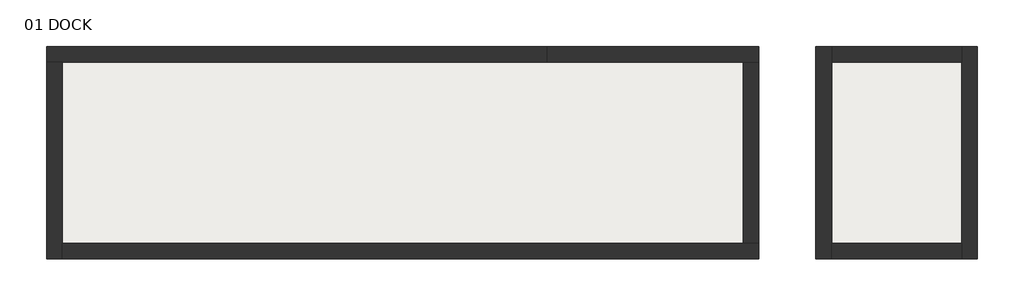
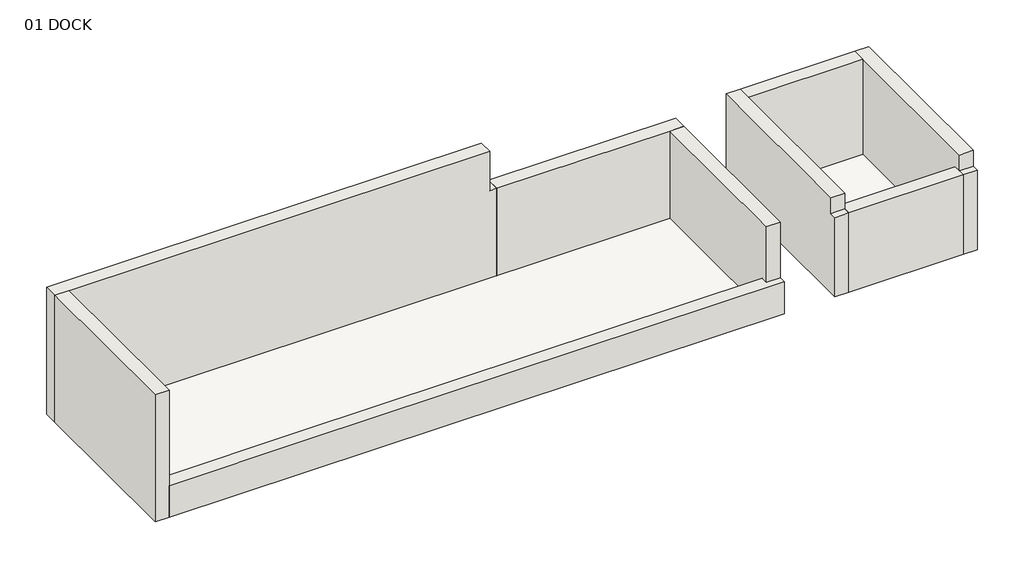
# One storey: 9 walls, 2 slabs.
"""IFC4 building model written with IfcOpenShell, lengths in millimetres."""

from ifc_helpers import new_model, si_unit, frame, origin, origin_with_axes, place, context, project, spatial, polyline, outline, extrude, faceted_brep, element, save

model = new_model("IFC4")

# Units and contexts
model_context = context("Model", 3, world=origin())
ifc_project = project(units=[si_unit("LENGTHUNIT", "METRE", prefix="MILLI")], contexts=[model_context])

# Site, building, storey
site = spatial("IfcSite", under=ifc_project)
building = spatial("IfcBuilding", under=site)
storey = spatial("IfcBuildingStorey", under=building, Name="01 DOCK", Elevation=0.0)

# Slabs
placement = place(None, origin())
element("IfcSlab", 1, ObjectType="Generic - 12\"", at=placement, inside=storey, context=model_context, shape_type="SweptSolid", body=[
    extrude(outline(polyline([(-11692.0416982, 5765.7810298), (10151.9583018, 5765.7810298), (10151.9583018, -50.8189702), (-11692.0416982, -50.8189702), (-11692.0416982, 5765.7810298)])), frame((0.0, 0.0, -304.8), z_axis=(0.0, 0.0, 1.0), x_axis=(1.0, 0.0, 0.0)), (0.0, 0.0, 1.0), 304.8),
])
element("IfcSlab", 2, ObjectType="Generic - 12\"", at=placement, inside=storey, context=model_context, shape_type="SweptSolid", body=[
    extrude(outline(polyline([(17162.3583018, 5765.7810298), (17162.3583018, -50.8189702), (12996.7583018, -50.8189702), (12996.7583018, 5765.7810298), (17162.3583018, 5765.7810298)])), frame((0.0, 0.0, -304.8), z_axis=(0.0, 0.0, 1.0), x_axis=(1.0, 0.0, 0.0)), (0.0, 0.0, 1.0), 304.8),
])

# Walls
element("IfcWall", 3, ObjectType="ADOBE", at=placement, inside=storey, context=model_context, shape_type="Brep", body=[
    faceted_brep([(10659.9583018, 6273.7810298, 0.0), (3852.7583018, 6273.7810298, 0.0), (3852.7583018, 6273.7810298, 3352.8), (10659.9583018, 6273.7810298, 3352.8), (10659.9583018, 5765.7810298, 0.0), (10659.9583018, 5765.7810298, 3352.8), (10151.9583018, 5765.7810298, 3352.8), (3852.7583018, 5765.7810298, 3352.8), (3852.7583018, 5765.7810298, 0.0), (10151.9583018, 5765.7810298, 0.0)], [[[0, 1, 2, 3]], [[4, 5, 6, 7, 8, 9]], [[1, 0, 4, 9, 8]], [[2, 1, 8, 7]], [[3, 2, 7, 6, 5]], [[0, 3, 5, 4]]]),
])
element("IfcWall", 4, ObjectType="ADOBE", at=placement, inside=storey, context=model_context, shape_type="Brep", body=[
    faceted_brep([(-12200.0416982, 5765.7810298, 0.0), (-12200.0416982, -558.8189702, 0.0), (-12200.0416982, -558.8189702, 4876.8), (-12200.0416982, 5765.7810298, 4876.8), (-11692.0416982, 5765.7810298, 0.0), (-11692.0416982, 5765.7810298, 4876.8), (-11692.0416982, -50.8189702, 4876.8), (-11692.0416982, -558.8189702, 4876.8), (-11692.0416982, -558.8189702, 1219.2), (-11692.0416982, -558.8189702, 0.0), (-11692.0416982, -50.8189702, 0.0)], [[[0, 1, 2, 3]], [[4, 5, 6, 7, 8, 9, 10]], [[1, 0, 4, 10, 9]], [[3, 2, 7, 6, 5]], [[1, 9, 8, 7, 2]], [[0, 3, 5, 4]]]),
])
element("IfcWall", 5, ObjectType="ADOBE", at=placement, inside=storey, context=model_context, shape_type="Brep", body=[
    faceted_brep([(-11692.0416982, -558.8189702, 0.0), (10659.9583018, -558.8189702, 0.0), (10659.9583018, -558.8189702, 1219.2), (-6688.2416982, -558.8189702, 1219.2), (-11692.0416982, -558.8189702, 1219.2), (-11692.0416982, -50.8189702, 0.0), (-11692.0416982, -50.8189702, 1219.2), (-6688.2416982, -50.8189702, 1219.2), (10151.9583018, -50.8189702, 1219.2), (10659.9583018, -50.8189702, 1219.2), (10659.9583018, -50.8189702, 0.0), (10151.9583018, -50.8189702, 0.0), (10659.9583018, -304.8189702, 1219.2)], [[[0, 1, 2, 3, 4]], [[5, 6, 7, 8, 9, 10, 11]], [[1, 0, 5, 11, 10]], [[4, 3, 2, 12, 9, 8, 7, 6]], [[2, 1, 10, 9, 12]], [[0, 4, 6, 5]]]),
])
element("IfcWall", 6, ObjectType="ADOBE", at=placement, inside=storey, context=model_context, shape_type="Brep", body=[
    faceted_brep([(12996.7583018, -558.8189702, 3048.0), (12996.7583018, -558.8189702, 1219.2), (12996.7583018, -558.8189702, 0.0), (12996.7583018, -50.8189702, 0.0), (12996.7583018, 5765.7810298, 0.0), (12996.7583018, 6273.7810298, 0.0), (12996.7583018, 6273.7810298, 3657.6), (12996.7583018, 5765.7810298, 3657.6), (12996.7583018, -304.8189702, 3657.6), (12996.7583018, -304.8189702, 3048.0), (12488.7583018, -558.8189702, 0.0), (12488.7583018, -558.8189702, 1219.2), (12488.7583018, -558.8189702, 3048.0), (12488.7583018, -304.8189702, 3048.0), (12488.7583018, -304.8189702, 3657.6), (12488.7583018, 6273.7810298, 3657.6), (12488.7583018, 6273.7810298, 0.0)], [[[0, 1, 2, 3, 4, 5, 6, 7, 8, 9]], [[10, 11, 12, 13, 14, 15, 16]], [[5, 4, 3, 2, 10, 16]], [[8, 7, 6, 15, 14]], [[6, 5, 16, 15]], [[9, 8, 14, 13]], [[9, 13, 12, 0]], [[0, 12, 11, 10, 2, 1]]]),
])
element("IfcWall", 7, ObjectType="ADOBE", at=placement, inside=storey, context=model_context, shape_type="Brep", body=[
    faceted_brep([(17670.3583018, -558.8189702, 3048.0), (17670.3583018, -558.8189702, 1219.2), (17670.3583018, -558.8189702, 0.0), (17670.3583018, 6273.7810298, 0.0), (17670.3583018, 6273.7810298, 3657.6), (17670.3583018, -304.8189702, 3657.6), (17670.3583018, -304.8189702, 3048.0), (17162.3583018, -558.8189702, 0.0), (17162.3583018, -558.8189702, 1219.2), (17162.3583018, -558.8189702, 3048.0), (17162.3583018, -304.8189702, 3048.0), (17162.3583018, -304.8189702, 3657.6), (17162.3583018, 5765.7810298, 3657.6), (17162.3583018, 6273.7810298, 3657.6), (17162.3583018, 6273.7810298, 0.0), (17162.3583018, 5765.7810298, 0.0), (17162.3583018, -50.8189702, 0.0)], [[[0, 1, 2, 3, 4, 5, 6]], [[7, 8, 9, 10, 11, 12, 13, 14, 15, 16]], [[3, 2, 7, 16, 15, 14]], [[5, 4, 13, 12, 11]], [[4, 3, 14, 13]], [[6, 5, 11, 10]], [[6, 10, 9, 0]], [[0, 9, 8, 7, 2, 1]]]),
])
element("IfcWall", 8, ObjectType="ADOBE", at=placement, inside=storey, context=model_context, shape_type="SweptSolid", body=[
    extrude(outline(polyline([(17162.3583018, 5765.7810298), (12996.7583018, 5765.7810298), (12996.7583018, 6273.7810298), (17162.3583018, 6273.7810298), (17162.3583018, 5765.7810298)])), origin_with_axes(), (0.0, 0.0, 1.0), 3657.6),
])
element("IfcWall", 9, ObjectType="ADOBE", at=placement, inside=storey, context=model_context, shape_type="Brep", body=[
    faceted_brep([(12996.7583018, -558.8189702, 3048.0), (12996.7583018, -558.8189702, 0.0), (17162.3583018, -558.8189702, 0.0), (17162.3583018, -558.8189702, 3048.0), (12996.7583018, -50.8189702, 0.0), (12996.7583018, -50.8189702, 3048.0), (17162.3583018, -50.8189702, 3048.0), (17162.3583018, -50.8189702, 0.0), (17162.3583018, -304.8189702, 3048.0), (12996.7583018, -304.8189702, 3048.0)], [[[0, 1, 2, 3]], [[4, 5, 6, 7]], [[2, 1, 4, 7]], [[0, 3, 8, 6, 5, 9]], [[0, 9, 5, 4, 1]], [[2, 7, 6, 8, 3]]]),
])
element("IfcWall", 10, ObjectType="ADOBE", at=placement, inside=storey, context=model_context, shape_type="SweptSolid", body=[
    extrude(outline(polyline([(5765.7810298, 0.0), (-50.8189702, 0.0), (-50.8189702, 1219.2), (-304.8189702, 1219.2), (-304.8189702, 3352.8), (5765.7810298, 3352.8), (5765.7810298, 0.0)])), frame((10151.9583018, 0.0, 0.0), z_axis=(1.0, 0.0, 0.0), x_axis=(0.0, 1.0, 0.0)), (0.0, 0.0, 1.0), 508.0),
])
element("IfcWall", 11, ObjectType="ADOBE", at=placement, inside=storey, context=model_context, shape_type="Brep", body=[
    faceted_brep([(3852.7583018, 6273.7810298, 0.0), (-12200.0416982, 6273.7810298, 0.0), (-12200.0416982, 6273.7810298, 4876.8), (3598.7583018, 6273.7810298, 4876.8), (3598.7583018, 6273.7810298, 3352.8), (3852.7583018, 6273.7810298, 3352.8), (3852.7583018, 5765.7810298, 0.0), (3852.7583018, 5765.7810298, 3352.8), (3598.7583018, 5765.7810298, 3352.8), (3598.7583018, 5765.7810298, 4876.8), (-11692.0416982, 5765.7810298, 4876.8), (-12200.0416982, 5765.7810298, 4876.8), (-12200.0416982, 5765.7810298, 0.0), (-11692.0416982, 5765.7810298, 0.0)], [[[0, 1, 2, 3, 4, 5]], [[6, 7, 8, 9, 10, 11, 12, 13]], [[1, 0, 6, 13, 12]], [[3, 2, 11, 10, 9]], [[2, 1, 12, 11]], [[0, 5, 7, 6]], [[4, 8, 7, 5]], [[4, 3, 9, 8]]]),
])

save(model, "model.ifc")
